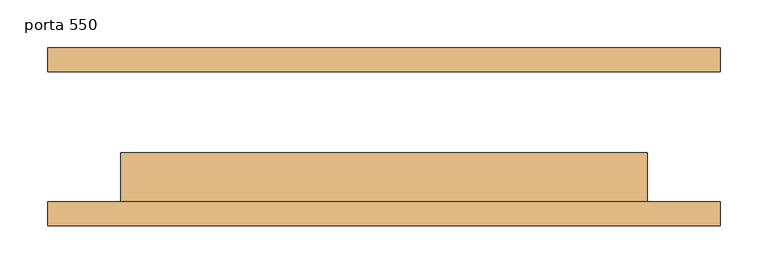
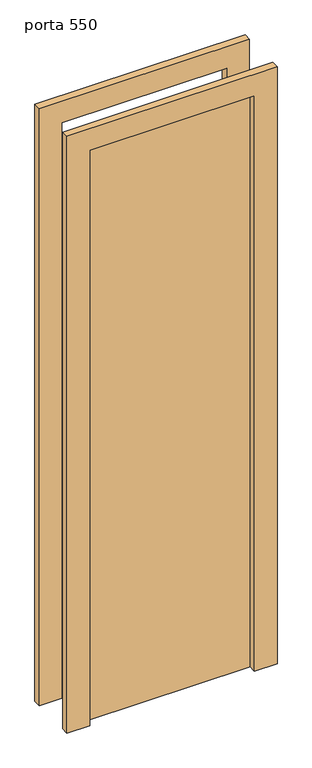
"""IFC4 building model written with IfcOpenShell, lengths in millimetres: door geometry, porta 550."""

from ifc_helpers import new_model, si_unit, frame, origin, origin_with_axes, place, context, project, spatial, polyline, outline, extrude, source, transform, mapped, element, save


def porta_550_73680a80(model_context):
    return source(origin(), model_context, "Body", "SweptSolid", [
        extrude(outline(polyline([(2108.0, -351.0), (0.0, -351.0), (0.0, -275.0), (2032.0, -275.0), (2032.0, 275.0), (0.0, 275.0), (0.0, 351.0), (2108.0, 351.0), (2108.0, -351.0)])), frame((0.0, -92.75, 0.0), z_axis=(0.0, 1.0, 0.0), x_axis=(0.0, 0.0, 1.0)), (0.0, 0.0, 1.0), 25.0),
        extrude(outline(polyline([(2108.0, 351.0), (2108.0, -351.0), (0.0, -351.0), (0.0, -275.0), (2032.0, -275.0), (2032.0, 275.0), (0.0, 275.0), (0.0, 351.0), (2108.0, 351.0)])), frame((0.0, 67.75, 0.0), z_axis=(0.0, 1.0, 0.0), x_axis=(0.0, 0.0, 1.0)), (0.0, 0.0, 1.0), 25.0),
        extrude(outline(polyline([(275.0, -16.75), (275.0, -67.75), (-275.0, -67.75), (-275.0, -16.75), (275.0, -16.75)])), origin_with_axes(), (0.0, 0.0, 1.0), 2032.0),
    ])


if __name__ == "__main__":
    model = new_model("IFC4")
    model_context = context("Model", 3, world=origin())
    ifc_project = project(units=[si_unit("LENGTHUNIT", "METRE", prefix="MILLI")], contexts=[model_context])
    site = spatial("IfcSite", under=ifc_project)
    building = spatial("IfcBuilding", under=site)
    placement = place(None, origin())
    porta_550_shape = porta_550_73680a80(model_context)
    element("IfcDoor", 1, ObjectType="porta 550", at=placement, inside=building, context=model_context, shape_type="MappedRepresentation", body=[
        mapped(porta_550_shape, transform((0.0, 0.0, 0.0), x_axis=(1.0, 0.0, 0.0), y_axis=(0.0, 1.0, 0.0), z_axis=(0.0, 0.0, 1.0))),
    ])
    save(model, "model.ifc")
